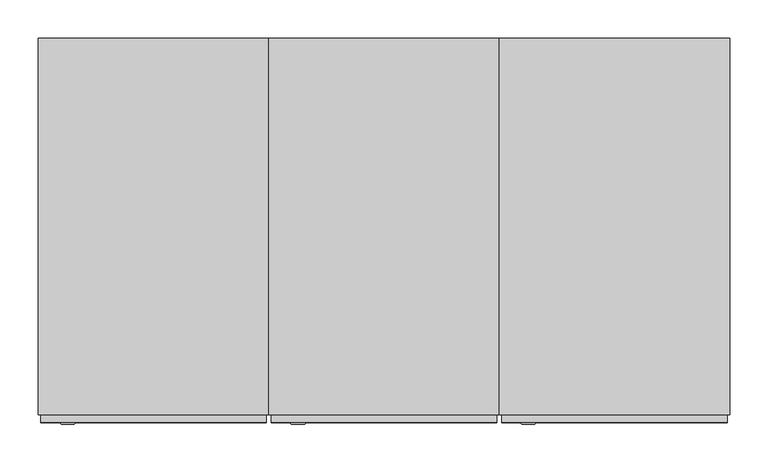
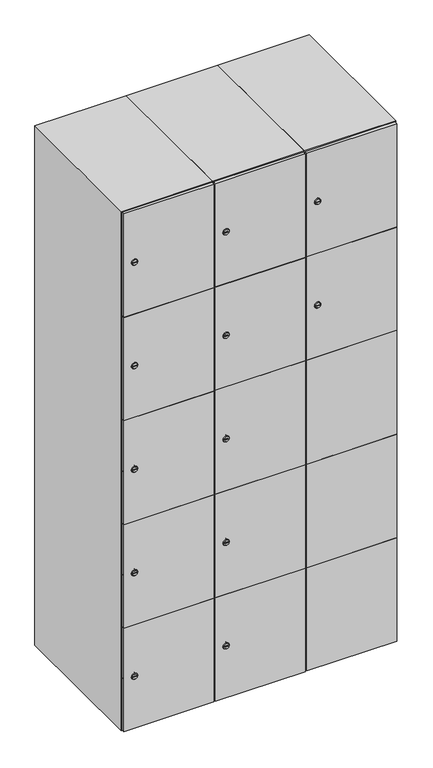
"""IFC4 building model written with IfcOpenShell, lengths in millimetres: furniture geometry."""

from ifc_helpers import new_model, si_unit, point, frame, frame_2d, origin, place, context, project, spatial, polyline, circle_curve, trimmed, segment, composite_curve, outline, extrude, faceted_brep, source, transform, mapped, element, save
from ifc_brep_helpers import plane_surface, revolved_surface, advanced_brep


def furniture_ad9215f7(model_context):
    return source(origin(), model_context, "Body", "SolidModel", [
        advanced_brep(
        [(446.5, -257.2, 1358.8), (429.5, -257.2, 1358.8), (433.0, -257.2, 1357.55), (433.0, -257.2, 1360.05), (443.0, -257.2, 1360.05), (443.0, -257.2, 1357.55), (448.5, -255.0, 1358.8), (427.5, -255.0, 1358.8), (433.0, -255.0, 1360.05), (433.0, -255.0, 1357.55), (443.0, -255.0, 1357.55), (443.0, -255.0, 1360.05)],
        [
            (0, 1, circle_curve(frame((438.0, -257.2, 1358.8), z_axis=(0.0, -1.0, 0.0), x_axis=(1.0, 0.0, 0.0)), 8.5)),
            (1, 0, circle_curve(frame((438.0, -257.2, 1358.8), z_axis=(0.0, -1.0, 0.0), x_axis=(-1.0, 0.0, 0.0)), 8.5)),
            (2, 3),
            (3, 4),
            (4, 5),
            (5, 2),
            (6, 7, circle_curve(frame((438.0, -255.0, 1358.8), z_axis=(0.0, 1.0, 0.0), x_axis=(-1.0, 0.0, 0.0)), 10.5)),
            (7, 6, circle_curve(frame((438.0, -255.0, 1358.8), z_axis=(0.0, 1.0, 0.0), x_axis=(1.0, 0.0, 0.0)), 10.5)),
            (8, 9),
            (9, 10),
            (10, 11),
            (11, 8),
            (0, 6),
            (7, 1),
            (8, 3),
            (2, 9),
            (11, 4),
            (10, 5),
        ],
        [
            plane_surface(frame((438.0, -257.2, 1358.8), z_axis=(0.0, -1.0, 0.0), x_axis=(0.0, 0.0, 1.0))),
            plane_surface(frame((438.0, -255.0, 1358.8), z_axis=(0.0, 1.0, 0.0), x_axis=(0.0, 0.0, 1.0))),
            revolved_surface(polyline([(446.5, -257.2, 1358.8), (448.5, -255.0, 1358.8)]), (438.0, -266.55, 1358.8), (0.0, 1.0, 0.0)),
            revolved_surface(polyline([(429.5, -257.2, 1358.8), (427.5, -255.0, 1358.8)]), (438.0, -266.55, 1358.8), (0.0, 1.0, 0.0)),
            plane_surface(frame((433.0, -255.0, 1357.55), z_axis=(1.0, 0.0, 0.0), x_axis=(0.0, -1.0, 0.0))),
            plane_surface(frame((433.0, -255.0, 1360.05), z_axis=(0.0, 0.0, -1.0), x_axis=(0.0, -1.0, 0.0))),
            plane_surface(frame((443.0, -255.0, 1360.05), z_axis=(-1.0, 0.0, 0.0), x_axis=(0.0, -1.0, 0.0))),
            plane_surface(frame((443.0, -255.0, 1357.55), z_axis=(0.0, 0.0, 1.0), x_axis=(0.0, -1.0, 0.0))),
        ],
        [
            (0, [[1, 2], [3, 4, 5, 6]]),
            (1, [[7, 8], [9, 10, 11, 12]]),
            (2, [[-1, 13, -8, 14]]),
            (3, [[-2, -14, -7, -13]]),
            (4, [[15, -3, 16, -9]]),
            (5, [[-15, -12, 17, -4]]),
            (6, [[-17, -11, 18, -5]]),
            (7, [[-16, -6, -18, -10]]),
        ],
    ),
        extrude(outline(composite_curve([segment(trimmed(circle_curve(frame_2d((1717.6, 411.2010534)), 7.0), [point((1724.6, 411.2010534))], [point((1710.6, 411.2010534))], False, "CARTESIAN"), True, "CONTINUOUS"), segment(polyline([(1710.6, 411.2010534), (1710.6, 439.2010534)]), True, "CONTINUOUS"), segment(trimmed(circle_curve(frame_2d((1717.6, 439.2010534)), 7.0), [point((1710.6, 439.2010534))], [point((1724.6, 439.2010534))], False, "CARTESIAN"), True, "CONTINUOUS"), segment(polyline([(1724.6, 439.2010534), (1724.6, 411.2010534)]), True, "CONTINUOUS")], self_intersect=False)), frame((0.0, -245.0, 0.0), z_axis=(0.0, 1.0, 0.0), x_axis=(0.0, 0.0, 1.0)), (0.0, 0.0, 1.0), 2.0),
        advanced_brep(
        [(446.5, -257.2, 1717.6), (429.5, -257.2, 1717.6), (433.0, -257.2, 1716.35), (433.0, -257.2, 1718.85), (443.0, -257.2, 1718.85), (443.0, -257.2, 1716.35), (448.5, -255.0, 1717.6), (427.5, -255.0, 1717.6), (433.0, -255.0, 1718.85), (433.0, -255.0, 1716.35), (443.0, -255.0, 1716.35), (443.0, -255.0, 1718.85)],
        [
            (0, 1, circle_curve(frame((438.0, -257.2, 1717.6), z_axis=(0.0, -1.0, 0.0), x_axis=(1.0, 0.0, 0.0)), 8.5)),
            (1, 0, circle_curve(frame((438.0, -257.2, 1717.6), z_axis=(0.0, -1.0, 0.0), x_axis=(-1.0, 0.0, 0.0)), 8.5)),
            (2, 3),
            (3, 4),
            (4, 5),
            (5, 2),
            (6, 7, circle_curve(frame((438.0, -255.0, 1717.6), z_axis=(0.0, 1.0, 0.0), x_axis=(-1.0, 0.0, 0.0)), 10.5)),
            (7, 6, circle_curve(frame((438.0, -255.0, 1717.6), z_axis=(0.0, 1.0, 0.0), x_axis=(1.0, 0.0, 0.0)), 10.5)),
            (8, 9),
            (9, 10),
            (10, 11),
            (11, 8),
            (0, 6),
            (7, 1),
            (8, 3),
            (2, 9),
            (11, 4),
            (10, 5),
        ],
        [
            plane_surface(frame((438.0, -257.2, 1717.6), z_axis=(0.0, -1.0, 0.0), x_axis=(0.0, 0.0, 1.0))),
            plane_surface(frame((438.0, -255.0, 1717.6), z_axis=(0.0, 1.0, 0.0), x_axis=(0.0, 0.0, 1.0))),
            revolved_surface(polyline([(446.5, -257.2, 1717.6), (448.5, -255.0, 1717.6)]), (438.0, -266.55, 1717.6), (0.0, 1.0, 0.0)),
            revolved_surface(polyline([(429.5, -257.2, 1717.6), (427.5, -255.0, 1717.6)]), (438.0, -266.55, 1717.6), (0.0, 1.0, 0.0)),
            plane_surface(frame((433.0, -255.0, 1716.35), z_axis=(1.0, 0.0, 0.0), x_axis=(0.0, -1.0, 0.0))),
            plane_surface(frame((433.0, -255.0, 1718.85), z_axis=(0.0, 0.0, -1.0), x_axis=(0.0, -1.0, 0.0))),
            plane_surface(frame((443.0, -255.0, 1718.85), z_axis=(-1.0, 0.0, 0.0), x_axis=(0.0, -1.0, 0.0))),
            plane_surface(frame((443.0, -255.0, 1716.35), z_axis=(0.0, 0.0, 1.0), x_axis=(0.0, -1.0, 0.0))),
        ],
        [
            (0, [[1, 2], [3, 4, 5, 6]]),
            (1, [[7, 8], [9, 10, 11, 12]]),
            (2, [[-1, 13, -8, 14]]),
            (3, [[-2, -14, -7, -13]]),
            (4, [[15, -3, 16, -9]]),
            (5, [[-15, -12, 17, -4]]),
            (6, [[-17, -11, 18, -5]]),
            (7, [[-16, -6, -18, -10]]),
        ],
    ),
        extrude(outline(polyline([(697.0, -245.0), (697.0, -255.0), (403.0, -255.0), (403.0, -245.0), (697.0, -245.0)])), frame((0.0, 0.0, 820.1), z_axis=(0.0, 0.0, 1.0), x_axis=(1.0, 0.0, 0.0)), (0.0, 0.0, 1.0), 359.8),
        extrude(outline(polyline([(697.0, -245.0), (697.0, -255.0), (403.0, -255.0), (403.0, -245.0), (697.0, -245.0)])), frame((0.0, 0.0, 461.3), z_axis=(0.0, 0.0, 1.0), x_axis=(1.0, 0.0, 0.0)), (0.0, 0.0, 1.0), 359.8),
        extrude(outline(polyline([(697.0, -245.0), (697.0, -255.0), (403.0, -255.0), (403.0, -245.0), (697.0, -245.0)])), frame((0.0, 0.0, 1178.9), z_axis=(0.0, 0.0, 1.0), x_axis=(1.0, 0.0, 0.0)), (0.0, 0.0, 1.0), 358.8),
        extrude(outline(polyline([(403.0, -255.0), (403.0, -245.0), (697.0, -245.0), (697.0, -255.0), (403.0, -255.0)])), frame((0.0, 0.0, 1538.7), z_axis=(0.0, 0.0, 1.0), x_axis=(1.0, 0.0, 0.0)), (0.0, 0.0, 1.0), 358.3),
        extrude(outline(polyline([(697.0, -245.0), (697.0, -255.0), (403.0, -255.0), (403.0, -245.0), (697.0, -245.0)])), frame((0.0, 0.0, 103.0), z_axis=(0.0, 0.0, 1.0), x_axis=(1.0, 0.0, 0.0)), (0.0, 0.0, 1.0), 359.3),
        extrude(outline(polyline([(690.0, 241.0), (690.0, -235.0), (410.0, -235.0), (410.0, 241.0), (690.0, 241.0)])), frame((0.0, 0.0, 1529.0), z_axis=(0.0, 0.0, 1.0), x_axis=(1.0, 0.0, 0.0)), (0.0, 0.0, 1.0), 10.0),
        extrude(outline(polyline([(690.0, 241.0), (690.0, -235.0), (410.0, -235.0), (410.0, 241.0), (690.0, 241.0)])), frame((0.0, 0.0, 1173.0), z_axis=(0.0, 0.0, 1.0), x_axis=(1.0, 0.0, 0.0)), (0.0, 0.0, 1.0), 10.0),
        extrude(outline(polyline([(690.0, 241.0), (690.0, -235.0), (410.0, -235.0), (410.0, 241.0), (690.0, 241.0)])), frame((0.0, 0.0, 817.0), z_axis=(0.0, 0.0, 1.0), x_axis=(1.0, 0.0, 0.0)), (0.0, 0.0, 1.0), 10.0),
        extrude(outline(polyline([(410.0, 241.0), (690.0, 241.0), (690.0, -235.0), (410.0, -235.0), (410.0, 241.0)])), frame((0.0, 0.0, 461.0), z_axis=(0.0, 0.0, 1.0), x_axis=(1.0, 0.0, 0.0)), (0.0, 0.0, 1.0), 10.0),
        faceted_brep([(700.0, -245.0, 100.0), (700.0, -245.0, 1900.0), (400.0, -245.0, 1900.0), (400.0, -245.0, 100.0), (690.0, -245.0, 1890.0), (690.0, -245.0, 110.0), (410.0, -245.0, 110.0), (410.0, -245.0, 1890.0), (700.0, 245.0, 100.0), (400.0, 245.0, 100.0), (700.0, 245.0, 1900.0), (400.0, 245.0, 1900.0), (690.0, 241.0, 1890.0), (690.0, 241.0, 110.0), (400.0, 245.0, 1890.0), (410.0, 241.0, 1890.0), (410.0, 241.0, 110.0)], [[[0, 1, 2, 3], [4, 5, 6, 7]], [[8, 0, 3, 9]], [[1, 0, 8, 10]], [[1, 10, 11, 2]], [[4, 12, 13, 5]], [[9, 3, 2, 11, 14]], [[10, 8, 9, 14, 11]], [[12, 15, 16, 13]], [[15, 7, 6, 16]], [[4, 7, 15, 12]], [[6, 5, 13, 16]]]),
        extrude(outline(composite_curve([segment(trimmed(circle_curve(frame_2d((282.4, 111.2010534)), 7.0), [point((289.4, 111.2010534))], [point((275.4, 111.2010534))], False, "CARTESIAN"), True, "CONTINUOUS"), segment(polyline([(275.4, 111.2010534), (275.4, 139.2010534)]), True, "CONTINUOUS"), segment(trimmed(circle_curve(frame_2d((282.4, 139.2010534)), 7.0), [point((275.4, 139.2010534))], [point((289.4, 139.2010534))], False, "CARTESIAN"), True, "CONTINUOUS"), segment(polyline([(289.4, 139.2010534), (289.4, 111.2010534)]), True, "CONTINUOUS")], self_intersect=False)), frame((0.0, -245.0, 0.0), z_axis=(0.0, 1.0, 0.0), x_axis=(0.0, 0.0, 1.0)), (0.0, 0.0, 1.0), 2.0),
        advanced_brep(
        [(146.5, -257.2, 282.4), (129.5, -257.2, 282.4), (133.0, -257.2, 281.15), (133.0, -257.2, 283.65), (143.0, -257.2, 283.65), (143.0, -257.2, 281.15), (148.5, -255.0, 282.4), (127.5, -255.0, 282.4), (133.0, -255.0, 283.65), (133.0, -255.0, 281.15), (143.0, -255.0, 281.15), (143.0, -255.0, 283.65)],
        [
            (0, 1, circle_curve(frame((138.0, -257.2, 282.4), z_axis=(0.0, -1.0, 0.0), x_axis=(1.0, 0.0, 0.0)), 8.5)),
            (1, 0, circle_curve(frame((138.0, -257.2, 282.4), z_axis=(0.0, -1.0, 0.0), x_axis=(-1.0, 0.0, 0.0)), 8.5)),
            (2, 3),
            (3, 4),
            (4, 5),
            (5, 2),
            (6, 7, circle_curve(frame((138.0, -255.0, 282.4), z_axis=(0.0, 1.0, 0.0), x_axis=(-1.0, 0.0, 0.0)), 10.5)),
            (7, 6, circle_curve(frame((138.0, -255.0, 282.4), z_axis=(0.0, 1.0, 0.0), x_axis=(1.0, 0.0, 0.0)), 10.5)),
            (8, 9),
            (9, 10),
            (10, 11),
            (11, 8),
            (0, 6),
            (7, 1),
            (8, 3),
            (2, 9),
            (11, 4),
            (10, 5),
        ],
        [
            plane_surface(frame((138.0, -257.2, 282.4), z_axis=(0.0, -1.0, 0.0), x_axis=(0.0, 0.0, 1.0))),
            plane_surface(frame((138.0, -255.0, 282.4), z_axis=(0.0, 1.0, 0.0), x_axis=(0.0, 0.0, 1.0))),
            revolved_surface(polyline([(146.5, -257.2, 282.4), (148.5, -255.0, 282.4)]), (138.0, -266.55, 282.4), (0.0, 1.0, 0.0)),
            revolved_surface(polyline([(129.5, -257.2, 282.4), (127.5, -255.0, 282.4)]), (138.0, -266.55, 282.4), (0.0, 1.0, 0.0)),
            plane_surface(frame((133.0, -255.0, 281.15), z_axis=(1.0, 0.0, 0.0), x_axis=(0.0, -1.0, 0.0))),
            plane_surface(frame((133.0, -255.0, 283.65), z_axis=(0.0, 0.0, -1.0), x_axis=(0.0, -1.0, 0.0))),
            plane_surface(frame((143.0, -255.0, 283.65), z_axis=(-1.0, 0.0, 0.0), x_axis=(0.0, -1.0, 0.0))),
            plane_surface(frame((143.0, -255.0, 281.15), z_axis=(0.0, 0.0, 1.0), x_axis=(0.0, -1.0, 0.0))),
        ],
        [
            (0, [[1, 2], [3, 4, 5, 6]]),
            (1, [[7, 8], [9, 10, 11, 12]]),
            (2, [[-1, 13, -8, 14]]),
            (3, [[-2, -14, -7, -13]]),
            (4, [[15, -3, 16, -9]]),
            (5, [[-15, -12, 17, -4]]),
            (6, [[-17, -11, 18, -5]]),
            (7, [[-16, -6, -18, -10]]),
        ],
    ),
        extrude(outline(composite_curve([segment(trimmed(circle_curve(frame_2d((641.2, 111.2010534)), 7.0), [point((648.2, 111.2010534))], [point((634.2, 111.2010534))], False, "CARTESIAN"), True, "CONTINUOUS"), segment(polyline([(634.2, 111.2010534), (634.2, 139.2010534)]), True, "CONTINUOUS"), segment(trimmed(circle_curve(frame_2d((641.2, 139.2010534)), 7.0), [point((634.2, 139.2010534))], [point((648.2, 139.2010534))], False, "CARTESIAN"), True, "CONTINUOUS"), segment(polyline([(648.2, 139.2010534), (648.2, 111.2010534)]), True, "CONTINUOUS")], self_intersect=False)), frame((0.0, -245.0, 0.0), z_axis=(0.0, 1.0, 0.0), x_axis=(0.0, 0.0, 1.0)), (0.0, 0.0, 1.0), 2.0),
        advanced_brep(
        [(146.5, -257.2, 641.2), (129.5, -257.2, 641.2), (133.0, -257.2, 639.95), (133.0, -257.2, 642.45), (143.0, -257.2, 642.45), (143.0, -257.2, 639.95), (148.5, -255.0, 641.2), (127.5, -255.0, 641.2), (133.0, -255.0, 642.45), (133.0, -255.0, 639.95), (143.0, -255.0, 639.95), (143.0, -255.0, 642.45)],
        [
            (0, 1, circle_curve(frame((138.0, -257.2, 641.2), z_axis=(0.0, -1.0, 0.0), x_axis=(1.0, 0.0, 0.0)), 8.5)),
            (1, 0, circle_curve(frame((138.0, -257.2, 641.2), z_axis=(0.0, -1.0, 0.0), x_axis=(-1.0, 0.0, 0.0)), 8.5)),
            (2, 3),
            (3, 4),
            (4, 5),
            (5, 2),
            (6, 7, circle_curve(frame((138.0, -255.0, 641.2), z_axis=(0.0, 1.0, 0.0), x_axis=(-1.0, 0.0, 0.0)), 10.5)),
            (7, 6, circle_curve(frame((138.0, -255.0, 641.2), z_axis=(0.0, 1.0, 0.0), x_axis=(1.0, 0.0, 0.0)), 10.5)),
            (8, 9),
            (9, 10),
            (10, 11),
            (11, 8),
            (0, 6),
            (7, 1),
            (8, 3),
            (2, 9),
            (11, 4),
            (10, 5),
        ],
        [
            plane_surface(frame((138.0, -257.2, 641.2), z_axis=(0.0, -1.0, 0.0), x_axis=(0.0, 0.0, 1.0))),
            plane_surface(frame((138.0, -255.0, 641.2), z_axis=(0.0, 1.0, 0.0), x_axis=(0.0, 0.0, 1.0))),
            revolved_surface(polyline([(146.5, -257.2, 641.2), (148.5, -255.0, 641.2)]), (138.0, -266.55, 641.2), (0.0, 1.0, 0.0)),
            revolved_surface(polyline([(129.5, -257.2, 641.2), (127.5, -255.0, 641.2)]), (138.0, -266.55, 641.2), (0.0, 1.0, 0.0)),
            plane_surface(frame((133.0, -255.0, 639.95), z_axis=(1.0, 0.0, 0.0), x_axis=(0.0, -1.0, 0.0))),
            plane_surface(frame((133.0, -255.0, 642.45), z_axis=(0.0, 0.0, -1.0), x_axis=(0.0, -1.0, 0.0))),
            plane_surface(frame((143.0, -255.0, 642.45), z_axis=(-1.0, 0.0, 0.0), x_axis=(0.0, -1.0, 0.0))),
            plane_surface(frame((143.0, -255.0, 639.95), z_axis=(0.0, 0.0, 1.0), x_axis=(0.0, -1.0, 0.0))),
        ],
        [
            (0, [[1, 2], [3, 4, 5, 6]]),
            (1, [[7, 8], [9, 10, 11, 12]]),
            (2, [[-1, 13, -8, 14]]),
            (3, [[-2, -14, -7, -13]]),
            (4, [[15, -3, 16, -9]]),
            (5, [[-15, -12, 17, -4]]),
            (6, [[-17, -11, 18, -5]]),
            (7, [[-16, -6, -18, -10]]),
        ],
    ),
        extrude(outline(composite_curve([segment(trimmed(circle_curve(frame_2d((1000.0, 111.2010534)), 7.0), [point((1007.0, 111.2010534))], [point((993.0, 111.2010534))], False, "CARTESIAN"), True, "CONTINUOUS"), segment(polyline([(993.0, 111.2010534), (993.0, 139.2010534)]), True, "CONTINUOUS"), segment(trimmed(circle_curve(frame_2d((1000.0, 139.2010534)), 7.0), [point((993.0, 139.2010534))], [point((1007.0, 139.2010534))], False, "CARTESIAN"), True, "CONTINUOUS"), segment(polyline([(1007.0, 139.2010534), (1007.0, 111.2010534)]), True, "CONTINUOUS")], self_intersect=False)), frame((0.0, -245.0, 0.0), z_axis=(0.0, 1.0, 0.0), x_axis=(0.0, 0.0, 1.0)), (0.0, 0.0, 1.0), 2.0),
        advanced_brep(
        [(146.5, -257.2, 1000.0), (129.5, -257.2, 1000.0), (133.0, -257.2, 998.75), (133.0, -257.2, 1001.25), (143.0, -257.2, 1001.25), (143.0, -257.2, 998.75), (148.5, -255.0, 1000.0), (127.5, -255.0, 1000.0), (133.0, -255.0, 1001.25), (133.0, -255.0, 998.75), (143.0, -255.0, 998.75), (143.0, -255.0, 1001.25)],
        [
            (0, 1, circle_curve(frame((138.0, -257.2, 1000.0), z_axis=(0.0, -1.0, 0.0), x_axis=(1.0, 0.0, 0.0)), 8.5)),
            (1, 0, circle_curve(frame((138.0, -257.2, 1000.0), z_axis=(0.0, -1.0, 0.0), x_axis=(-1.0, 0.0, 0.0)), 8.5)),
            (2, 3),
            (3, 4),
            (4, 5),
            (5, 2),
            (6, 7, circle_curve(frame((138.0, -255.0, 1000.0), z_axis=(0.0, 1.0, 0.0), x_axis=(-1.0, 0.0, 0.0)), 10.5)),
            (7, 6, circle_curve(frame((138.0, -255.0, 1000.0), z_axis=(0.0, 1.0, 0.0), x_axis=(1.0, 0.0, 0.0)), 10.5)),
            (8, 9),
            (9, 10),
            (10, 11),
            (11, 8),
            (0, 6),
            (7, 1),
            (8, 3),
            (2, 9),
            (11, 4),
            (10, 5),
        ],
        [
            plane_surface(frame((138.0, -257.2, 1000.0), z_axis=(0.0, -1.0, 0.0), x_axis=(0.0, 0.0, 1.0))),
            plane_surface(frame((138.0, -255.0, 1000.0), z_axis=(0.0, 1.0, 0.0), x_axis=(0.0, 0.0, 1.0))),
            revolved_surface(polyline([(146.5, -257.2, 1000.0), (148.5, -255.0, 1000.0)]), (138.0, -266.55, 1000.0), (0.0, 1.0, 0.0)),
            revolved_surface(polyline([(129.5, -257.2, 1000.0), (127.5, -255.0, 1000.0)]), (138.0, -266.55, 1000.0), (0.0, 1.0, 0.0)),
            plane_surface(frame((133.0, -255.0, 998.75), z_axis=(1.0, 0.0, 0.0), x_axis=(0.0, -1.0, 0.0))),
            plane_surface(frame((133.0, -255.0, 1001.25), z_axis=(0.0, 0.0, -1.0), x_axis=(0.0, -1.0, 0.0))),
            plane_surface(frame((143.0, -255.0, 1001.25), z_axis=(-1.0, 0.0, 0.0), x_axis=(0.0, -1.0, 0.0))),
            plane_surface(frame((143.0, -255.0, 998.75), z_axis=(0.0, 0.0, 1.0), x_axis=(0.0, -1.0, 0.0))),
        ],
        [
            (0, [[1, 2], [3, 4, 5, 6]]),
            (1, [[7, 8], [9, 10, 11, 12]]),
            (2, [[-1, 13, -8, 14]]),
            (3, [[-2, -14, -7, -13]]),
            (4, [[15, -3, 16, -9]]),
            (5, [[-15, -12, 17, -4]]),
            (6, [[-17, -11, 18, -5]]),
            (7, [[-16, -6, -18, -10]]),
        ],
    ),
        extrude(outline(composite_curve([segment(trimmed(circle_curve(frame_2d((1358.8, 111.2010534)), 7.0), [point((1365.8, 111.2010534))], [point((1351.8, 111.2010534))], False, "CARTESIAN"), True, "CONTINUOUS"), segment(polyline([(1351.8, 111.2010534), (1351.8, 139.2010534)]), True, "CONTINUOUS"), segment(trimmed(circle_curve(frame_2d((1358.8, 139.2010534)), 7.0), [point((1351.8, 139.2010534))], [point((1365.8, 139.2010534))], False, "CARTESIAN"), True, "CONTINUOUS"), segment(polyline([(1365.8, 139.2010534), (1365.8, 111.2010534)]), True, "CONTINUOUS")], self_intersect=False)), frame((0.0, -245.0, 0.0), z_axis=(0.0, 1.0, 0.0), x_axis=(0.0, 0.0, 1.0)), (0.0, 0.0, 1.0), 2.0),
        advanced_brep(
        [(146.5, -257.2, 1358.8), (129.5, -257.2, 1358.8), (133.0, -257.2, 1357.55), (133.0, -257.2, 1360.05), (143.0, -257.2, 1360.05), (143.0, -257.2, 1357.55), (148.5, -255.0, 1358.8), (127.5, -255.0, 1358.8), (133.0, -255.0, 1360.05), (133.0, -255.0, 1357.55), (143.0, -255.0, 1357.55), (143.0, -255.0, 1360.05)],
        [
            (0, 1, circle_curve(frame((138.0, -257.2, 1358.8), z_axis=(0.0, -1.0, 0.0), x_axis=(1.0, 0.0, 0.0)), 8.5)),
            (1, 0, circle_curve(frame((138.0, -257.2, 1358.8), z_axis=(0.0, -1.0, 0.0), x_axis=(-1.0, 0.0, 0.0)), 8.5)),
            (2, 3),
            (3, 4),
            (4, 5),
            (5, 2),
            (6, 7, circle_curve(frame((138.0, -255.0, 1358.8), z_axis=(0.0, 1.0, 0.0), x_axis=(-1.0, 0.0, 0.0)), 10.5)),
            (7, 6, circle_curve(frame((138.0, -255.0, 1358.8), z_axis=(0.0, 1.0, 0.0), x_axis=(1.0, 0.0, 0.0)), 10.5)),
            (8, 9),
            (9, 10),
            (10, 11),
            (11, 8),
            (0, 6),
            (7, 1),
            (8, 3),
            (2, 9),
            (11, 4),
            (10, 5),
        ],
        [
            plane_surface(frame((138.0, -257.2, 1358.8), z_axis=(0.0, -1.0, 0.0), x_axis=(0.0, 0.0, 1.0))),
            plane_surface(frame((138.0, -255.0, 1358.8), z_axis=(0.0, 1.0, 0.0), x_axis=(0.0, 0.0, 1.0))),
            revolved_surface(polyline([(146.5, -257.2, 1358.8), (148.5, -255.0, 1358.8)]), (138.0, -266.55, 1358.8), (0.0, 1.0, 0.0)),
            revolved_surface(polyline([(129.5, -257.2, 1358.8), (127.5, -255.0, 1358.8)]), (138.0, -266.55, 1358.8), (0.0, 1.0, 0.0)),
            plane_surface(frame((133.0, -255.0, 1357.55), z_axis=(1.0, 0.0, 0.0), x_axis=(0.0, -1.0, 0.0))),
            plane_surface(frame((133.0, -255.0, 1360.05), z_axis=(0.0, 0.0, -1.0), x_axis=(0.0, -1.0, 0.0))),
            plane_surface(frame((143.0, -255.0, 1360.05), z_axis=(-1.0, 0.0, 0.0), x_axis=(0.0, -1.0, 0.0))),
            plane_surface(frame((143.0, -255.0, 1357.55), z_axis=(0.0, 0.0, 1.0), x_axis=(0.0, -1.0, 0.0))),
        ],
        [
            (0, [[1, 2], [3, 4, 5, 6]]),
            (1, [[7, 8], [9, 10, 11, 12]]),
            (2, [[-1, 13, -8, 14]]),
            (3, [[-2, -14, -7, -13]]),
            (4, [[15, -3, 16, -9]]),
            (5, [[-15, -12, 17, -4]]),
            (6, [[-17, -11, 18, -5]]),
            (7, [[-16, -6, -18, -10]]),
        ],
    ),
        extrude(outline(composite_curve([segment(trimmed(circle_curve(frame_2d((1717.6, 111.2010534)), 7.0), [point((1724.6, 111.2010534))], [point((1710.6, 111.2010534))], False, "CARTESIAN"), True, "CONTINUOUS"), segment(polyline([(1710.6, 111.2010534), (1710.6, 139.2010534)]), True, "CONTINUOUS"), segment(trimmed(circle_curve(frame_2d((1717.6, 139.2010534)), 7.0), [point((1710.6, 139.2010534))], [point((1724.6, 139.2010534))], False, "CARTESIAN"), True, "CONTINUOUS"), segment(polyline([(1724.6, 139.2010534), (1724.6, 111.2010534)]), True, "CONTINUOUS")], self_intersect=False)), frame((0.0, -245.0, 0.0), z_axis=(0.0, 1.0, 0.0), x_axis=(0.0, 0.0, 1.0)), (0.0, 0.0, 1.0), 2.0),
        advanced_brep(
        [(146.5, -257.2, 1717.6), (129.5, -257.2, 1717.6), (133.0, -257.2, 1716.35), (133.0, -257.2, 1718.85), (143.0, -257.2, 1718.85), (143.0, -257.2, 1716.35), (148.5, -255.0, 1717.6), (127.5, -255.0, 1717.6), (133.0, -255.0, 1718.85), (133.0, -255.0, 1716.35), (143.0, -255.0, 1716.35), (143.0, -255.0, 1718.85)],
        [
            (0, 1, circle_curve(frame((138.0, -257.2, 1717.6), z_axis=(0.0, -1.0, 0.0), x_axis=(1.0, 0.0, 0.0)), 8.5)),
            (1, 0, circle_curve(frame((138.0, -257.2, 1717.6), z_axis=(0.0, -1.0, 0.0), x_axis=(-1.0, 0.0, 0.0)), 8.5)),
            (2, 3),
            (3, 4),
            (4, 5),
            (5, 2),
            (6, 7, circle_curve(frame((138.0, -255.0, 1717.6), z_axis=(0.0, 1.0, 0.0), x_axis=(-1.0, 0.0, 0.0)), 10.5)),
            (7, 6, circle_curve(frame((138.0, -255.0, 1717.6), z_axis=(0.0, 1.0, 0.0), x_axis=(1.0, 0.0, 0.0)), 10.5)),
            (8, 9),
            (9, 10),
            (10, 11),
            (11, 8),
            (0, 6),
            (7, 1),
            (8, 3),
            (2, 9),
            (11, 4),
            (10, 5),
        ],
        [
            plane_surface(frame((138.0, -257.2, 1717.6), z_axis=(0.0, -1.0, 0.0), x_axis=(0.0, 0.0, 1.0))),
            plane_surface(frame((138.0, -255.0, 1717.6), z_axis=(0.0, 1.0, 0.0), x_axis=(0.0, 0.0, 1.0))),
            revolved_surface(polyline([(146.5, -257.2, 1717.6), (148.5, -255.0, 1717.6)]), (138.0, -266.55, 1717.6), (0.0, 1.0, 0.0)),
            revolved_surface(polyline([(129.5, -257.2, 1717.6), (127.5, -255.0, 1717.6)]), (138.0, -266.55, 1717.6), (0.0, 1.0, 0.0)),
            plane_surface(frame((133.0, -255.0, 1716.35), z_axis=(1.0, 0.0, 0.0), x_axis=(0.0, -1.0, 0.0))),
            plane_surface(frame((133.0, -255.0, 1718.85), z_axis=(0.0, 0.0, -1.0), x_axis=(0.0, -1.0, 0.0))),
            plane_surface(frame((143.0, -255.0, 1718.85), z_axis=(-1.0, 0.0, 0.0), x_axis=(0.0, -1.0, 0.0))),
            plane_surface(frame((143.0, -255.0, 1716.35), z_axis=(0.0, 0.0, 1.0), x_axis=(0.0, -1.0, 0.0))),
        ],
        [
            (0, [[1, 2], [3, 4, 5, 6]]),
            (1, [[7, 8], [9, 10, 11, 12]]),
            (2, [[-1, 13, -8, 14]]),
            (3, [[-2, -14, -7, -13]]),
            (4, [[15, -3, 16, -9]]),
            (5, [[-15, -12, 17, -4]]),
            (6, [[-17, -11, 18, -5]]),
            (7, [[-16, -6, -18, -10]]),
        ],
    ),
        extrude(outline(polyline([(397.0, -245.0), (397.0, -255.0), (103.0, -255.0), (103.0, -245.0), (397.0, -245.0)])), frame((0.0, 0.0, 820.1), z_axis=(0.0, 0.0, 1.0), x_axis=(1.0, 0.0, 0.0)), (0.0, 0.0, 1.0), 359.8),
        extrude(outline(polyline([(397.0, -245.0), (397.0, -255.0), (103.0, -255.0), (103.0, -245.0), (397.0, -245.0)])), frame((0.0, 0.0, 461.3), z_axis=(0.0, 0.0, 1.0), x_axis=(1.0, 0.0, 0.0)), (0.0, 0.0, 1.0), 359.8),
        extrude(outline(polyline([(397.0, -245.0), (397.0, -255.0), (103.0, -255.0), (103.0, -245.0), (397.0, -245.0)])), frame((0.0, 0.0, 1178.9), z_axis=(0.0, 0.0, 1.0), x_axis=(1.0, 0.0, 0.0)), (0.0, 0.0, 1.0), 358.8),
        extrude(outline(polyline([(103.0, -255.0), (103.0, -245.0), (397.0, -245.0), (397.0, -255.0), (103.0, -255.0)])), frame((0.0, 0.0, 1538.7), z_axis=(0.0, 0.0, 1.0), x_axis=(1.0, 0.0, 0.0)), (0.0, 0.0, 1.0), 358.3),
        extrude(outline(polyline([(397.0, -245.0), (397.0, -255.0), (103.0, -255.0), (103.0, -245.0), (397.0, -245.0)])), frame((0.0, 0.0, 103.0), z_axis=(0.0, 0.0, 1.0), x_axis=(1.0, 0.0, 0.0)), (0.0, 0.0, 1.0), 359.3),
        extrude(outline(polyline([(390.0, 241.0), (390.0, -235.0), (110.0, -235.0), (110.0, 241.0), (390.0, 241.0)])), frame((0.0, 0.0, 1529.0), z_axis=(0.0, 0.0, 1.0), x_axis=(1.0, 0.0, 0.0)), (0.0, 0.0, 1.0), 10.0),
        extrude(outline(polyline([(390.0, 241.0), (390.0, -235.0), (110.0, -235.0), (110.0, 241.0), (390.0, 241.0)])), frame((0.0, 0.0, 1173.0), z_axis=(0.0, 0.0, 1.0), x_axis=(1.0, 0.0, 0.0)), (0.0, 0.0, 1.0), 10.0),
        extrude(outline(polyline([(390.0, 241.0), (390.0, -235.0), (110.0, -235.0), (110.0, 241.0), (390.0, 241.0)])), frame((0.0, 0.0, 817.0), z_axis=(0.0, 0.0, 1.0), x_axis=(1.0, 0.0, 0.0)), (0.0, 0.0, 1.0), 10.0),
        extrude(outline(polyline([(110.0, 241.0), (390.0, 241.0), (390.0, -235.0), (110.0, -235.0), (110.0, 241.0)])), frame((0.0, 0.0, 461.0), z_axis=(0.0, 0.0, 1.0), x_axis=(1.0, 0.0, 0.0)), (0.0, 0.0, 1.0), 10.0),
        faceted_brep([(400.0, -245.0, 100.0), (400.0, -245.0, 1900.0), (100.0, -245.0, 1900.0), (100.0, -245.0, 100.0), (390.0, -245.0, 1890.0), (390.0, -245.0, 110.0), (110.0, -245.0, 110.0), (110.0, -245.0, 1890.0), (400.0, 245.0, 100.0), (100.0, 245.0, 100.0), (400.0, 245.0, 1900.0), (100.0, 245.0, 1900.0), (390.0, 241.0, 1890.0), (390.0, 241.0, 110.0), (100.0, 245.0, 1890.0), (110.0, 241.0, 1890.0), (110.0, 241.0, 110.0)], [[[0, 1, 2, 3], [4, 5, 6, 7]], [[8, 0, 3, 9]], [[1, 0, 8, 10]], [[1, 10, 11, 2]], [[4, 12, 13, 5]], [[9, 3, 2, 11, 14]], [[10, 8, 9, 14, 11]], [[12, 15, 16, 13]], [[15, 7, 6, 16]], [[4, 7, 15, 12]], [[6, 5, 13, 16]]]),
        extrude(outline(composite_curve([segment(trimmed(circle_curve(frame_2d((282.4, -188.7989466)), 7.0), [point((289.4, -188.7989466))], [point((275.4, -188.7989466))], False, "CARTESIAN"), True, "CONTINUOUS"), segment(polyline([(275.4, -188.7989466), (275.4, -160.7989466)]), True, "CONTINUOUS"), segment(trimmed(circle_curve(frame_2d((282.4, -160.7989466)), 7.0), [point((275.4, -160.7989466))], [point((289.4, -160.7989466))], False, "CARTESIAN"), True, "CONTINUOUS"), segment(polyline([(289.4, -160.7989466), (289.4, -188.7989466)]), True, "CONTINUOUS")], self_intersect=False)), frame((0.0, -245.0, 0.0), z_axis=(0.0, 1.0, 0.0), x_axis=(0.0, 0.0, 1.0)), (0.0, 0.0, 1.0), 2.0),
        advanced_brep(
        [(-153.5, -257.2, 282.4), (-170.5, -257.2, 282.4), (-167.0, -257.2, 281.15), (-167.0, -257.2, 283.65), (-157.0, -257.2, 283.65), (-157.0, -257.2, 281.15), (-151.5, -255.0, 282.4), (-172.5, -255.0, 282.4), (-167.0, -255.0, 283.65), (-167.0, -255.0, 281.15), (-157.0, -255.0, 281.15), (-157.0, -255.0, 283.65)],
        [
            (0, 1, circle_curve(frame((-162.0, -257.2, 282.4), z_axis=(0.0, -1.0, 0.0), x_axis=(1.0, 0.0, 0.0)), 8.5)),
            (1, 0, circle_curve(frame((-162.0, -257.2, 282.4), z_axis=(0.0, -1.0, 0.0), x_axis=(-1.0, 0.0, 0.0)), 8.5)),
            (2, 3),
            (3, 4),
            (4, 5),
            (5, 2),
            (6, 7, circle_curve(frame((-162.0, -255.0, 282.4), z_axis=(0.0, 1.0, 0.0), x_axis=(-1.0, 0.0, 0.0)), 10.5)),
            (7, 6, circle_curve(frame((-162.0, -255.0, 282.4), z_axis=(0.0, 1.0, 0.0), x_axis=(1.0, 0.0, 0.0)), 10.5)),
            (8, 9),
            (9, 10),
            (10, 11),
            (11, 8),
            (0, 6),
            (7, 1),
            (8, 3),
            (2, 9),
            (11, 4),
            (10, 5),
        ],
        [
            plane_surface(frame((-162.0, -257.2, 282.4), z_axis=(0.0, -1.0, 0.0), x_axis=(0.0, 0.0, 1.0))),
            plane_surface(frame((-162.0, -255.0, 282.4), z_axis=(0.0, 1.0, 0.0), x_axis=(0.0, 0.0, 1.0))),
            revolved_surface(polyline([(-153.5, -257.2, 282.4), (-151.5, -255.0, 282.4)]), (-162.0, -266.55, 282.4), (0.0, 1.0, 0.0)),
            revolved_surface(polyline([(-170.5, -257.2, 282.4), (-172.5, -255.0, 282.4)]), (-162.0, -266.55, 282.4), (0.0, 1.0, 0.0)),
            plane_surface(frame((-167.0, -255.0, 281.15), z_axis=(1.0, 0.0, 0.0), x_axis=(0.0, -1.0, 0.0))),
            plane_surface(frame((-167.0, -255.0, 283.65), z_axis=(0.0, 0.0, -1.0), x_axis=(0.0, -1.0, 0.0))),
            plane_surface(frame((-157.0, -255.0, 283.65), z_axis=(-1.0, 0.0, 0.0), x_axis=(0.0, -1.0, 0.0))),
            plane_surface(frame((-157.0, -255.0, 281.15), z_axis=(0.0, 0.0, 1.0), x_axis=(0.0, -1.0, 0.0))),
        ],
        [
            (0, [[1, 2], [3, 4, 5, 6]]),
            (1, [[7, 8], [9, 10, 11, 12]]),
            (2, [[-1, 13, -8, 14]]),
            (3, [[-2, -14, -7, -13]]),
            (4, [[15, -3, 16, -9]]),
            (5, [[-15, -12, 17, -4]]),
            (6, [[-17, -11, 18, -5]]),
            (7, [[-16, -6, -18, -10]]),
        ],
    ),
        extrude(outline(composite_curve([segment(trimmed(circle_curve(frame_2d((641.2, -188.7989466)), 7.0), [point((648.2, -188.7989466))], [point((634.2, -188.7989466))], False, "CARTESIAN"), True, "CONTINUOUS"), segment(polyline([(634.2, -188.7989466), (634.2, -160.7989466)]), True, "CONTINUOUS"), segment(trimmed(circle_curve(frame_2d((641.2, -160.7989466)), 7.0), [point((634.2, -160.7989466))], [point((648.2, -160.7989466))], False, "CARTESIAN"), True, "CONTINUOUS"), segment(polyline([(648.2, -160.7989466), (648.2, -188.7989466)]), True, "CONTINUOUS")], self_intersect=False)), frame((0.0, -245.0, 0.0), z_axis=(0.0, 1.0, 0.0), x_axis=(0.0, 0.0, 1.0)), (0.0, 0.0, 1.0), 2.0),
        advanced_brep(
        [(-153.5, -257.2, 641.2), (-170.5, -257.2, 641.2), (-167.0, -257.2, 639.95), (-167.0, -257.2, 642.45), (-157.0, -257.2, 642.45), (-157.0, -257.2, 639.95), (-151.5, -255.0, 641.2), (-172.5, -255.0, 641.2), (-167.0, -255.0, 642.45), (-167.0, -255.0, 639.95), (-157.0, -255.0, 639.95), (-157.0, -255.0, 642.45)],
        [
            (0, 1, circle_curve(frame((-162.0, -257.2, 641.2), z_axis=(0.0, -1.0, 0.0), x_axis=(1.0, 0.0, 0.0)), 8.5)),
            (1, 0, circle_curve(frame((-162.0, -257.2, 641.2), z_axis=(0.0, -1.0, 0.0), x_axis=(-1.0, 0.0, 0.0)), 8.5)),
            (2, 3),
            (3, 4),
            (4, 5),
            (5, 2),
            (6, 7, circle_curve(frame((-162.0, -255.0, 641.2), z_axis=(0.0, 1.0, 0.0), x_axis=(-1.0, 0.0, 0.0)), 10.5)),
            (7, 6, circle_curve(frame((-162.0, -255.0, 641.2), z_axis=(0.0, 1.0, 0.0), x_axis=(1.0, 0.0, 0.0)), 10.5)),
            (8, 9),
            (9, 10),
            (10, 11),
            (11, 8),
            (0, 6),
            (7, 1),
            (8, 3),
            (2, 9),
            (11, 4),
            (10, 5),
        ],
        [
            plane_surface(frame((-162.0, -257.2, 641.2), z_axis=(0.0, -1.0, 0.0), x_axis=(0.0, 0.0, 1.0))),
            plane_surface(frame((-162.0, -255.0, 641.2), z_axis=(0.0, 1.0, 0.0), x_axis=(0.0, 0.0, 1.0))),
            revolved_surface(polyline([(-153.5, -257.2, 641.2), (-151.5, -255.0, 641.2)]), (-162.0, -266.55, 641.2), (0.0, 1.0, 0.0)),
            revolved_surface(polyline([(-170.5, -257.2, 641.2), (-172.5, -255.0, 641.2)]), (-162.0, -266.55, 641.2), (0.0, 1.0, 0.0)),
            plane_surface(frame((-167.0, -255.0, 639.95), z_axis=(1.0, 0.0, 0.0), x_axis=(0.0, -1.0, 0.0))),
            plane_surface(frame((-167.0, -255.0, 642.45), z_axis=(0.0, 0.0, -1.0), x_axis=(0.0, -1.0, 0.0))),
            plane_surface(frame((-157.0, -255.0, 642.45), z_axis=(-1.0, 0.0, 0.0), x_axis=(0.0, -1.0, 0.0))),
            plane_surface(frame((-157.0, -255.0, 639.95), z_axis=(0.0, 0.0, 1.0), x_axis=(0.0, -1.0, 0.0))),
        ],
        [
            (0, [[1, 2], [3, 4, 5, 6]]),
            (1, [[7, 8], [9, 10, 11, 12]]),
            (2, [[-1, 13, -8, 14]]),
            (3, [[-2, -14, -7, -13]]),
            (4, [[15, -3, 16, -9]]),
            (5, [[-15, -12, 17, -4]]),
            (6, [[-17, -11, 18, -5]]),
            (7, [[-16, -6, -18, -10]]),
        ],
    ),
        extrude(outline(composite_curve([segment(trimmed(circle_curve(frame_2d((1000.0, -188.7989466)), 7.0), [point((1007.0, -188.7989466))], [point((993.0, -188.7989466))], False, "CARTESIAN"), True, "CONTINUOUS"), segment(polyline([(993.0, -188.7989466), (993.0, -160.7989466)]), True, "CONTINUOUS"), segment(trimmed(circle_curve(frame_2d((1000.0, -160.7989466)), 7.0), [point((993.0, -160.7989466))], [point((1007.0, -160.7989466))], False, "CARTESIAN"), True, "CONTINUOUS"), segment(polyline([(1007.0, -160.7989466), (1007.0, -188.7989466)]), True, "CONTINUOUS")], self_intersect=False)), frame((0.0, -245.0, 0.0), z_axis=(0.0, 1.0, 0.0), x_axis=(0.0, 0.0, 1.0)), (0.0, 0.0, 1.0), 2.0),
        advanced_brep(
        [(-153.5, -257.2, 1000.0), (-170.5, -257.2, 1000.0), (-167.0, -257.2, 998.75), (-167.0, -257.2, 1001.25), (-157.0, -257.2, 1001.25), (-157.0, -257.2, 998.75), (-151.5, -255.0, 1000.0), (-172.5, -255.0, 1000.0), (-167.0, -255.0, 1001.25), (-167.0, -255.0, 998.75), (-157.0, -255.0, 998.75), (-157.0, -255.0, 1001.25)],
        [
            (0, 1, circle_curve(frame((-162.0, -257.2, 1000.0), z_axis=(0.0, -1.0, 0.0), x_axis=(1.0, 0.0, 0.0)), 8.5)),
            (1, 0, circle_curve(frame((-162.0, -257.2, 1000.0), z_axis=(0.0, -1.0, 0.0), x_axis=(-1.0, 0.0, 0.0)), 8.5)),
            (2, 3),
            (3, 4),
            (4, 5),
            (5, 2),
            (6, 7, circle_curve(frame((-162.0, -255.0, 1000.0), z_axis=(0.0, 1.0, 0.0), x_axis=(-1.0, 0.0, 0.0)), 10.5)),
            (7, 6, circle_curve(frame((-162.0, -255.0, 1000.0), z_axis=(0.0, 1.0, 0.0), x_axis=(1.0, 0.0, 0.0)), 10.5)),
            (8, 9),
            (9, 10),
            (10, 11),
            (11, 8),
            (0, 6),
            (7, 1),
            (8, 3),
            (2, 9),
            (11, 4),
            (10, 5),
        ],
        [
            plane_surface(frame((-162.0, -257.2, 1000.0), z_axis=(0.0, -1.0, 0.0), x_axis=(0.0, 0.0, 1.0))),
            plane_surface(frame((-162.0, -255.0, 1000.0), z_axis=(0.0, 1.0, 0.0), x_axis=(0.0, 0.0, 1.0))),
            revolved_surface(polyline([(-153.5, -257.2, 1000.0), (-151.5, -255.0, 1000.0)]), (-162.0, -266.55, 1000.0), (0.0, 1.0, 0.0)),
            revolved_surface(polyline([(-170.5, -257.2, 1000.0), (-172.5, -255.0, 1000.0)]), (-162.0, -266.55, 1000.0), (0.0, 1.0, 0.0)),
            plane_surface(frame((-167.0, -255.0, 998.75), z_axis=(1.0, 0.0, 0.0), x_axis=(0.0, -1.0, 0.0))),
            plane_surface(frame((-167.0, -255.0, 1001.25), z_axis=(0.0, 0.0, -1.0), x_axis=(0.0, -1.0, 0.0))),
            plane_surface(frame((-157.0, -255.0, 1001.25), z_axis=(-1.0, 0.0, 0.0), x_axis=(0.0, -1.0, 0.0))),
            plane_surface(frame((-157.0, -255.0, 998.75), z_axis=(0.0, 0.0, 1.0), x_axis=(0.0, -1.0, 0.0))),
        ],
        [
            (0, [[1, 2], [3, 4, 5, 6]]),
            (1, [[7, 8], [9, 10, 11, 12]]),
            (2, [[-1, 13, -8, 14]]),
            (3, [[-2, -14, -7, -13]]),
            (4, [[15, -3, 16, -9]]),
            (5, [[-15, -12, 17, -4]]),
            (6, [[-17, -11, 18, -5]]),
            (7, [[-16, -6, -18, -10]]),
        ],
    ),
        extrude(outline(composite_curve([segment(trimmed(circle_curve(frame_2d((1358.8, -188.7989466)), 7.0), [point((1365.8, -188.7989466))], [point((1351.8, -188.7989466))], False, "CARTESIAN"), True, "CONTINUOUS"), segment(polyline([(1351.8, -188.7989466), (1351.8, -160.7989466)]), True, "CONTINUOUS"), segment(trimmed(circle_curve(frame_2d((1358.8, -160.7989466)), 7.0), [point((1351.8, -160.7989466))], [point((1365.8, -160.7989466))], False, "CARTESIAN"), True, "CONTINUOUS"), segment(polyline([(1365.8, -160.7989466), (1365.8, -188.7989466)]), True, "CONTINUOUS")], self_intersect=False)), frame((0.0, -245.0, 0.0), z_axis=(0.0, 1.0, 0.0), x_axis=(0.0, 0.0, 1.0)), (0.0, 0.0, 1.0), 2.0),
        advanced_brep(
        [(-153.5, -257.2, 1358.8), (-170.5, -257.2, 1358.8), (-167.0, -257.2, 1357.55), (-167.0, -257.2, 1360.05), (-157.0, -257.2, 1360.05), (-157.0, -257.2, 1357.55), (-151.5, -255.0, 1358.8), (-172.5, -255.0, 1358.8), (-167.0, -255.0, 1360.05), (-167.0, -255.0, 1357.55), (-157.0, -255.0, 1357.55), (-157.0, -255.0, 1360.05)],
        [
            (0, 1, circle_curve(frame((-162.0, -257.2, 1358.8), z_axis=(0.0, -1.0, 0.0), x_axis=(1.0, 0.0, 0.0)), 8.5)),
            (1, 0, circle_curve(frame((-162.0, -257.2, 1358.8), z_axis=(0.0, -1.0, 0.0), x_axis=(-1.0, 0.0, 0.0)), 8.5)),
            (2, 3),
            (3, 4),
            (4, 5),
            (5, 2),
            (6, 7, circle_curve(frame((-162.0, -255.0, 1358.8), z_axis=(0.0, 1.0, 0.0), x_axis=(-1.0, 0.0, 0.0)), 10.5)),
            (7, 6, circle_curve(frame((-162.0, -255.0, 1358.8), z_axis=(0.0, 1.0, 0.0), x_axis=(1.0, 0.0, 0.0)), 10.5)),
            (8, 9),
            (9, 10),
            (10, 11),
            (11, 8),
            (0, 6),
            (7, 1),
            (8, 3),
            (2, 9),
            (11, 4),
            (10, 5),
        ],
        [
            plane_surface(frame((-162.0, -257.2, 1358.8), z_axis=(0.0, -1.0, 0.0), x_axis=(0.0, 0.0, 1.0))),
            plane_surface(frame((-162.0, -255.0, 1358.8), z_axis=(0.0, 1.0, 0.0), x_axis=(0.0, 0.0, 1.0))),
            revolved_surface(polyline([(-153.5, -257.2, 1358.8), (-151.5, -255.0, 1358.8)]), (-162.0, -266.55, 1358.8), (0.0, 1.0, 0.0)),
            revolved_surface(polyline([(-170.5, -257.2, 1358.8), (-172.5, -255.0, 1358.8)]), (-162.0, -266.55, 1358.8), (0.0, 1.0, 0.0)),
            plane_surface(frame((-167.0, -255.0, 1357.55), z_axis=(1.0, 0.0, 0.0), x_axis=(0.0, -1.0, 0.0))),
            plane_surface(frame((-167.0, -255.0, 1360.05), z_axis=(0.0, 0.0, -1.0), x_axis=(0.0, -1.0, 0.0))),
            plane_surface(frame((-157.0, -255.0, 1360.05), z_axis=(-1.0, 0.0, 0.0), x_axis=(0.0, -1.0, 0.0))),
            plane_surface(frame((-157.0, -255.0, 1357.55), z_axis=(0.0, 0.0, 1.0), x_axis=(0.0, -1.0, 0.0))),
        ],
        [
            (0, [[1, 2], [3, 4, 5, 6]]),
            (1, [[7, 8], [9, 10, 11, 12]]),
            (2, [[-1, 13, -8, 14]]),
            (3, [[-2, -14, -7, -13]]),
            (4, [[15, -3, 16, -9]]),
            (5, [[-15, -12, 17, -4]]),
            (6, [[-17, -11, 18, -5]]),
            (7, [[-16, -6, -18, -10]]),
        ],
    ),
        extrude(outline(composite_curve([segment(trimmed(circle_curve(frame_2d((1717.6, -188.7989466)), 7.0), [point((1724.6, -188.7989466))], [point((1710.6, -188.7989466))], False, "CARTESIAN"), True, "CONTINUOUS"), segment(polyline([(1710.6, -188.7989466), (1710.6, -160.7989466)]), True, "CONTINUOUS"), segment(trimmed(circle_curve(frame_2d((1717.6, -160.7989466)), 7.0), [point((1710.6, -160.7989466))], [point((1724.6, -160.7989466))], False, "CARTESIAN"), True, "CONTINUOUS"), segment(polyline([(1724.6, -160.7989466), (1724.6, -188.7989466)]), True, "CONTINUOUS")], self_intersect=False)), frame((0.0, -245.0, 0.0), z_axis=(0.0, 1.0, 0.0), x_axis=(0.0, 0.0, 1.0)), (0.0, 0.0, 1.0), 2.0),
        advanced_brep(
        [(-153.5, -257.2, 1717.6), (-170.5, -257.2, 1717.6), (-167.0, -257.2, 1716.35), (-167.0, -257.2, 1718.85), (-157.0, -257.2, 1718.85), (-157.0, -257.2, 1716.35), (-151.5, -255.0, 1717.6), (-172.5, -255.0, 1717.6), (-167.0, -255.0, 1718.85), (-167.0, -255.0, 1716.35), (-157.0, -255.0, 1716.35), (-157.0, -255.0, 1718.85)],
        [
            (0, 1, circle_curve(frame((-162.0, -257.2, 1717.6), z_axis=(0.0, -1.0, 0.0), x_axis=(1.0, 0.0, 0.0)), 8.5)),
            (1, 0, circle_curve(frame((-162.0, -257.2, 1717.6), z_axis=(0.0, -1.0, 0.0), x_axis=(-1.0, 0.0, 0.0)), 8.5)),
            (2, 3),
            (3, 4),
            (4, 5),
            (5, 2),
            (6, 7, circle_curve(frame((-162.0, -255.0, 1717.6), z_axis=(0.0, 1.0, 0.0), x_axis=(-1.0, 0.0, 0.0)), 10.5)),
            (7, 6, circle_curve(frame((-162.0, -255.0, 1717.6), z_axis=(0.0, 1.0, 0.0), x_axis=(1.0, 0.0, 0.0)), 10.5)),
            (8, 9),
            (9, 10),
            (10, 11),
            (11, 8),
            (0, 6),
            (7, 1),
            (8, 3),
            (2, 9),
            (11, 4),
            (10, 5),
        ],
        [
            plane_surface(frame((-162.0, -257.2, 1717.6), z_axis=(0.0, -1.0, 0.0), x_axis=(0.0, 0.0, 1.0))),
            plane_surface(frame((-162.0, -255.0, 1717.6), z_axis=(0.0, 1.0, 0.0), x_axis=(0.0, 0.0, 1.0))),
            revolved_surface(polyline([(-153.5, -257.2, 1717.6), (-151.5, -255.0, 1717.6)]), (-162.0, -266.55, 1717.6), (0.0, 1.0, 0.0)),
            revolved_surface(polyline([(-170.5, -257.2, 1717.6), (-172.5, -255.0, 1717.6)]), (-162.0, -266.55, 1717.6), (0.0, 1.0, 0.0)),
            plane_surface(frame((-167.0, -255.0, 1716.35), z_axis=(1.0, 0.0, 0.0), x_axis=(0.0, -1.0, 0.0))),
            plane_surface(frame((-167.0, -255.0, 1718.85), z_axis=(0.0, 0.0, -1.0), x_axis=(0.0, -1.0, 0.0))),
            plane_surface(frame((-157.0, -255.0, 1718.85), z_axis=(-1.0, 0.0, 0.0), x_axis=(0.0, -1.0, 0.0))),
            plane_surface(frame((-157.0, -255.0, 1716.35), z_axis=(0.0, 0.0, 1.0), x_axis=(0.0, -1.0, 0.0))),
        ],
        [
            (0, [[1, 2], [3, 4, 5, 6]]),
            (1, [[7, 8], [9, 10, 11, 12]]),
            (2, [[-1, 13, -8, 14]]),
            (3, [[-2, -14, -7, -13]]),
            (4, [[15, -3, 16, -9]]),
            (5, [[-15, -12, 17, -4]]),
            (6, [[-17, -11, 18, -5]]),
            (7, [[-16, -6, -18, -10]]),
        ],
    ),
        extrude(outline(polyline([(97.0, -245.0), (97.0, -255.0), (-197.0, -255.0), (-197.0, -245.0), (97.0, -245.0)])), frame((0.0, 0.0, 820.1), z_axis=(0.0, 0.0, 1.0), x_axis=(1.0, 0.0, 0.0)), (0.0, 0.0, 1.0), 359.8),
        extrude(outline(polyline([(97.0, -245.0), (97.0, -255.0), (-197.0, -255.0), (-197.0, -245.0), (97.0, -245.0)])), frame((0.0, 0.0, 461.3), z_axis=(0.0, 0.0, 1.0), x_axis=(1.0, 0.0, 0.0)), (0.0, 0.0, 1.0), 359.8),
        extrude(outline(polyline([(97.0, -245.0), (97.0, -255.0), (-197.0, -255.0), (-197.0, -245.0), (97.0, -245.0)])), frame((0.0, 0.0, 1178.9), z_axis=(0.0, 0.0, 1.0), x_axis=(1.0, 0.0, 0.0)), (0.0, 0.0, 1.0), 358.8),
        extrude(outline(polyline([(-197.0, -255.0), (-197.0, -245.0), (97.0, -245.0), (97.0, -255.0), (-197.0, -255.0)])), frame((0.0, 0.0, 1538.7), z_axis=(0.0, 0.0, 1.0), x_axis=(1.0, 0.0, 0.0)), (0.0, 0.0, 1.0), 358.3),
        extrude(outline(polyline([(97.0, -245.0), (97.0, -255.0), (-197.0, -255.0), (-197.0, -245.0), (97.0, -245.0)])), frame((0.0, 0.0, 103.0), z_axis=(0.0, 0.0, 1.0), x_axis=(1.0, 0.0, 0.0)), (0.0, 0.0, 1.0), 359.3),
        extrude(outline(polyline([(90.0, 241.0), (90.0, -235.0), (-190.0, -235.0), (-190.0, 241.0), (90.0, 241.0)])), frame((0.0, 0.0, 1529.0), z_axis=(0.0, 0.0, 1.0), x_axis=(1.0, 0.0, 0.0)), (0.0, 0.0, 1.0), 10.0),
        extrude(outline(polyline([(90.0, 241.0), (90.0, -235.0), (-190.0, -235.0), (-190.0, 241.0), (90.0, 241.0)])), frame((0.0, 0.0, 1173.0), z_axis=(0.0, 0.0, 1.0), x_axis=(1.0, 0.0, 0.0)), (0.0, 0.0, 1.0), 10.0),
        extrude(outline(polyline([(90.0, 241.0), (90.0, -235.0), (-190.0, -235.0), (-190.0, 241.0), (90.0, 241.0)])), frame((0.0, 0.0, 817.0), z_axis=(0.0, 0.0, 1.0), x_axis=(1.0, 0.0, 0.0)), (0.0, 0.0, 1.0), 10.0),
        extrude(outline(polyline([(-190.0, 241.0), (90.0, 241.0), (90.0, -235.0), (-190.0, -235.0), (-190.0, 241.0)])), frame((0.0, 0.0, 461.0), z_axis=(0.0, 0.0, 1.0), x_axis=(1.0, 0.0, 0.0)), (0.0, 0.0, 1.0), 10.0),
        faceted_brep([(100.0, -245.0, 100.0), (100.0, -245.0, 1900.0), (-200.0, -245.0, 1900.0), (-200.0, -245.0, 100.0), (90.0, -245.0, 1890.0), (90.0, -245.0, 110.0), (-190.0, -245.0, 110.0), (-190.0, -245.0, 1890.0), (100.0, 245.0, 100.0), (-200.0, 245.0, 100.0), (100.0, 245.0, 1900.0), (-200.0, 245.0, 1900.0), (90.0, 241.0, 1890.0), (90.0, 241.0, 110.0), (-200.0, 245.0, 1890.0), (-190.0, 241.0, 1890.0), (-190.0, 241.0, 110.0)], [[[0, 1, 2, 3], [4, 5, 6, 7]], [[8, 0, 3, 9]], [[1, 0, 8, 10]], [[1, 10, 11, 2]], [[4, 12, 13, 5]], [[9, 3, 2, 11, 14]], [[10, 8, 9, 14, 11]], [[12, 15, 16, 13]], [[15, 7, 6, 16]], [[4, 7, 15, 12]], [[6, 5, 13, 16]]]),
    ])


if __name__ == "__main__":
    model = new_model("IFC4")
    model_context = context("Model", 3, world=origin())
    ifc_project = project(units=[si_unit("LENGTHUNIT", "METRE", prefix="MILLI")], contexts=[model_context])
    site = spatial("IfcSite", under=ifc_project)
    building = spatial("IfcBuilding", under=site)
    placement = place(None, origin())
    furniture_shape = furniture_ad9215f7(model_context)
    element("IfcFurniture", 1, at=placement, inside=building, context=model_context, shape_type="MappedRepresentation", body=[
        mapped(furniture_shape, transform((0.0, 0.0, 0.0), x_axis=(1.0, 0.0, 0.0), y_axis=(0.0, 1.0, 0.0), z_axis=(0.0, 0.0, 1.0))),
    ])
    save(model, "model.ifc")
